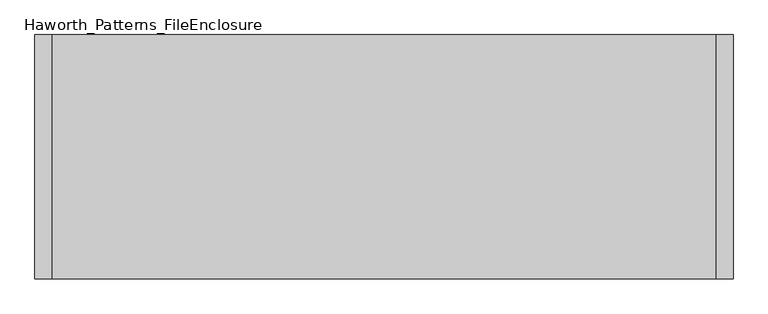
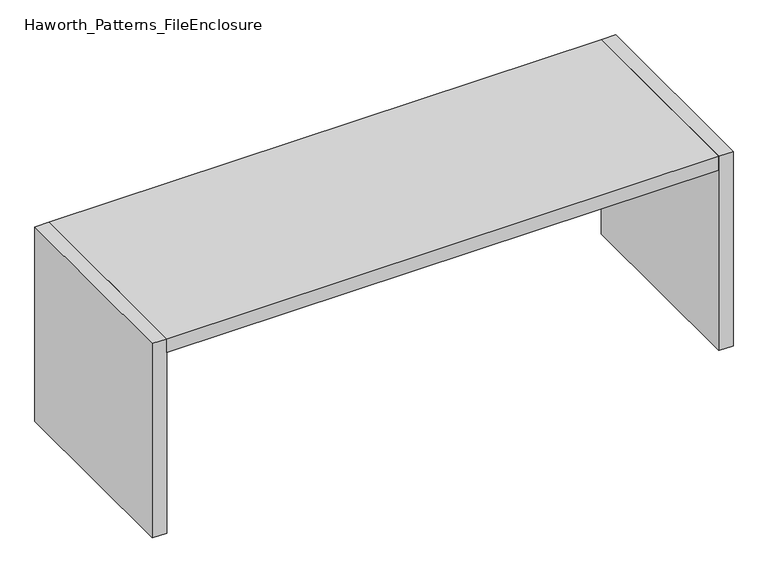
"""IFC4 building model written with IfcOpenShell, lengths in millimetres: furniture geometry, Haworth_Patterns_FileEnclosure."""

import ifcopenshell
import ifcopenshell.guid

model = None  # the IFC model being written
_history = None  # IfcOwnerHistory: only IFC2X3 demands one
_inside = {}  # id of a spatial element -> (the spatial element, [elements in it])
_under = {}  # id of a project, library or spatial element -> (it, [spatial elements below it])
_declared = {}  # id of a project -> (the project, [libraries it declares])
_typed = {}  # id of a type object -> (the type object, [elements of that type])
_made_of = {}  # id of a material, layer set ... -> (it, [elements and type objects made of it])


def new_model(schema):
    """Start an empty IFC model of exactly this schema.

    Asked for "IFC4X3", IfcOpenShell would pick the latest addendum, in which some entities
    have other attributes; the version numbers below select the first issue.
    IFC2X3 requires an IfcOwnerHistory on every rooted entity: one is made here for all.
    """
    global model, _history
    if schema == "IFC4X3":
        model = ifcopenshell.file(schema_version=(4, 3, 0, 0))
    else:
        model = ifcopenshell.file(schema=schema)
    _inside.clear()
    _under.clear()
    _declared.clear()
    _typed.clear()
    _made_of.clear()
    _history = None
    if model.schema == "IFC2X3":
        org = make("IfcOrganization", Name="unknown")
        user = make(
            "IfcPersonAndOrganization",
            ThePerson=make("IfcPerson", FamilyName="unknown"),
            TheOrganization=org,
        )
        app = make(
            "IfcApplication",
            ApplicationDeveloper=org,
            Version="unknown",
            ApplicationFullName="unknown",
            ApplicationIdentifier="unknown",
        )
        _history = make(
            "IfcOwnerHistory",
            OwningUser=user,
            OwningApplication=app,
            ChangeAction="ADDED",
            CreationDate=0,
        )
    return model


def make(cls, **values):
    """One entity of the class cls with the attributes given. An attribute that is None is left unset."""
    return model.create_entity(
        cls, **{name: value for name, value in values.items() if value is not None}
    )


def rooted(cls, **values):
    """An entity with a GlobalId (a new one), such as an element, a storey or a relation."""
    return make(cls, GlobalId=ifcopenshell.guid.new(), OwnerHistory=_history, **values)


def si_unit(unit_type, name, prefix=None):
    """IfcSIUnit, for example si_unit("LENGTHUNIT", "METRE", prefix="MILLI")."""
    return make("IfcSIUnit", UnitType=unit_type, Prefix=prefix, Name=name)


def assignment(units):
    """IfcUnitAssignment: the units of a project."""
    return None if units is None else make("IfcUnitAssignment", Units=units)


def point(xyz):
    """IfcCartesianPoint."""
    return None if xyz is None else make("IfcCartesianPoint", Coordinates=xyz)


def direction(xyz):
    """IfcDirection."""
    return None if xyz is None else make("IfcDirection", DirectionRatios=xyz)


def frame(location, z_axis=None, x_axis=None):
    """IfcAxis2Placement3D, a coordinate frame: its origin and axes. An axis left out is left unset."""
    return make(
        "IfcAxis2Placement3D",
        Location=point(location),
        Axis=direction(z_axis),
        RefDirection=direction(x_axis),
    )


def origin():
    """The frame at (0, 0, 0) with its axes left unset."""
    return frame((0.0, 0.0, 0.0))


def origin_with_axes():
    """The frame at (0, 0, 0) with the z axis (0, 0, 1) and the x axis (1, 0, 0) written out."""
    return frame((0.0, 0.0, 0.0), z_axis=(0.0, 0.0, 1.0), x_axis=(1.0, 0.0, 0.0))


def place(relative_to, where):
    """IfcLocalPlacement: puts the frame where relative to a parent placement (None: the world)."""
    return make(
        "IfcLocalPlacement", PlacementRelTo=relative_to, RelativePlacement=where
    )


def context(
    kind, dimensions, precision=None, world=None, true_north=None, identifier=None
):
    """IfcGeometricRepresentationContext, for example the 3D "Model" context."""
    return make(
        "IfcGeometricRepresentationContext",
        ContextIdentifier=identifier,
        ContextType=kind,
        CoordinateSpaceDimension=dimensions,
        Precision=precision,
        WorldCoordinateSystem=world,
        TrueNorth=true_north,
    )


def project(units=None, contexts=None):
    """IfcProject with its units and contexts."""
    return rooted(
        "IfcProject",
        Name="project",
        RepresentationContexts=contexts,
        UnitsInContext=assignment(units),
    )


def spatial(cls, under=None, at=None, **own):
    """A site, building, storey or space (cls), placed at a placement, below another one or the project."""
    s = rooted(cls, ObjectPlacement=at, **own)
    if under is not None:
        _under.setdefault(under.id(), (under, []))[1].append(s)
    return s


def polyline(points):
    """IfcPolyline through the points."""
    return make("IfcPolyline", Points=[point(p) for p in points])


def outline(outer, holes=None, kind="AREA"):
    """IfcArbitraryClosedProfileDef: a profile drawn as a closed curve; with holes, ...WithVoids."""
    if holes is None:
        return make("IfcArbitraryClosedProfileDef", ProfileType=kind, OuterCurve=outer)
    return make(
        "IfcArbitraryProfileDefWithVoids",
        ProfileType=kind,
        OuterCurve=outer,
        InnerCurves=holes,
    )


def extrude(swept, where, along, depth):
    """IfcExtrudedAreaSolid: the profile swept, set in the frame where, extruded along a direction by depth."""
    return make(
        "IfcExtrudedAreaSolid",
        SweptArea=swept,
        Position=where,
        ExtrudedDirection=direction(along),
        Depth=depth,
    )


def shape(context_of_items, identifier, shape_type, items):
    """IfcShapeRepresentation: the items that make up one representation, for example the "Body"."""
    return make(
        "IfcShapeRepresentation",
        ContextOfItems=context_of_items,
        RepresentationIdentifier=identifier,
        RepresentationType=shape_type,
        Items=items,
    )


def source(mapping_origin, context_of_items, identifier, shape_type, items):
    """IfcRepresentationMap: a shape defined once, which mapped items show again and again."""
    return make(
        "IfcRepresentationMap",
        MappingOrigin=mapping_origin,
        MappedRepresentation=shape(context_of_items, identifier, shape_type, items),
    )


def transform(
    local_origin,
    x_axis=None,
    y_axis=None,
    z_axis=None,
    scale=None,
    scale2=None,
    scale3=None,
    uniform=True,
):
    """IfcCartesianTransformationOperator3D, or its non-uniform kind. x_axis, y_axis, z_axis: its Axis1, 2, 3."""
    if uniform:
        return make(
            "IfcCartesianTransformationOperator3D",
            Axis1=direction(x_axis),
            Axis2=direction(y_axis),
            LocalOrigin=point(local_origin),
            Scale=scale,
            Axis3=direction(z_axis),
        )
    return make(
        "IfcCartesianTransformationOperator3DnonUniform",
        Axis1=direction(x_axis),
        Axis2=direction(y_axis),
        LocalOrigin=point(local_origin),
        Scale=scale,
        Axis3=direction(z_axis),
        Scale2=scale2,
        Scale3=scale3,
    )


def mapped(mapping_source, mapping_target):
    """IfcMappedItem: shows the shape of a source again, moved by a transform."""
    return make(
        "IfcMappedItem", MappingSource=mapping_source, MappingTarget=mapping_target
    )


def made_of(thing, what):
    """Note that an element or type object is made of a material, layer set ...; save() writes the relation."""
    if what is not None:
        _made_of.setdefault(what.id(), (what, []))[1].append(thing)
    return thing


def element(
    cls,
    number,
    at=None,
    inside=None,
    cuts=None,
    type_object=None,
    material=None,
    context=None,
    identifier="Body",
    shape_type=None,
    held_by="IfcProductDefinitionShape",
    body=None,
    shapes=None,
    **own,
):
    """One element of the class cls, such as IfcWall. Its Tag is "e" and its number.

    at: its placement. inside: the storey or other place that contains it. cuts: it is an
    opening in that element (IfcRelVoidsElement). A single representation is given by context,
    identifier, shape_type and body (its items); several are given by shapes. held_by: the class
    of the entity that holds the representations. save() writes the other relations.
    """
    e = rooted(cls, Tag="e%d" % number, ObjectPlacement=at, **own)
    if body is not None:
        shapes = [shape(context, identifier, shape_type, body)]
    if shapes is not None:
        e.Representation = make(held_by, Representations=shapes)
    if inside is not None:
        _inside.setdefault(inside.id(), (inside, []))[1].append(e)
    if cuts is not None:
        rooted(
            "IfcRelVoidsElement", RelatingBuildingElement=cuts, RelatedOpeningElement=e
        )
    if type_object is not None:
        _typed.setdefault(type_object.id(), (type_object, []))[1].append(e)
    return made_of(e, material)


def aggregate(whole, parts):
    """IfcRelAggregates: a whole, such as a stair, and the parts it consists of."""
    return rooted("IfcRelAggregates", RelatingObject=whole, RelatedObjects=parts)


def save(model, path):
    """Write the relations noted so far, then the file.

    IfcRelAggregates (storeys below a building ...), IfcRelContainedInSpatialStructure (elements
    in a storey), IfcRelDefinesByType, IfcRelAssociatesMaterial and IfcRelDeclares: one each for
    every whole, place, type object, material and project.
    """
    for whole, parts in _under.values():
        aggregate(whole, parts)
    for where, things in _inside.values():
        rooted(
            "IfcRelContainedInSpatialStructure",
            RelatedElements=things,
            RelatingStructure=where,
        )
    for kind, things in _typed.values():
        rooted("IfcRelDefinesByType", RelatedObjects=things, RelatingType=kind)
    for what, things in _made_of.values():
        rooted("IfcRelAssociatesMaterial", RelatedObjects=things, RelatingMaterial=what)
    for by, libraries in _declared.values():
        rooted("IfcRelDeclares", RelatingContext=by, RelatedDefinitions=libraries)
    model.write(path)


def haworth_patterns_fileenclosure_20942a2b(model_context):
    return source(origin(), model_context, "Body", "SweptSolid", [
        extrude(outline(polyline([(1447.8, 0.0), (1447.8, -1066.8), (-1447.8, -1066.8), (-1447.8, 0.0), (1447.8, 0.0)])), frame((0.0, 0.0, 1003.3), z_axis=(0.0, 0.0, 1.0), x_axis=(1.0, 0.0, 0.0)), (0.0, 0.0, 1.0), 76.2),
        extrude(outline(polyline([(1447.8, 0.0), (1524.0, 0.0), (1524.0, -1066.8), (1447.8, -1066.8), (1447.8, 0.0)])), origin_with_axes(), (0.0, 0.0, 1.0), 1079.5),
        extrude(outline(polyline([(-1447.8, 0.0), (-1447.8, -1066.8), (-1524.0, -1066.8), (-1524.0, 0.0), (-1447.8, 0.0)])), origin_with_axes(), (0.0, 0.0, 1.0), 1079.5),
    ])


if __name__ == "__main__":
    model = new_model("IFC4")
    model_context = context("Model", 3, world=origin())
    ifc_project = project(units=[si_unit("LENGTHUNIT", "METRE", prefix="MILLI")], contexts=[model_context])
    site = spatial("IfcSite", under=ifc_project)
    building = spatial("IfcBuilding", under=site)
    placement = place(None, origin())
    haworth_patterns_fileenclosure_shape = haworth_patterns_fileenclosure_20942a2b(model_context)
    element("IfcFurniture", 1, ObjectType="Haworth_Patterns_FileEnclosure", at=placement, inside=building, context=model_context, shape_type="MappedRepresentation", body=[
        mapped(haworth_patterns_fileenclosure_shape, transform((0.0, 0.0, 0.0), x_axis=(1.0, 0.0, 0.0), y_axis=(0.0, 1.0, 0.0), z_axis=(0.0, 0.0, 1.0))),
    ])
    save(model, "model.ifc")
